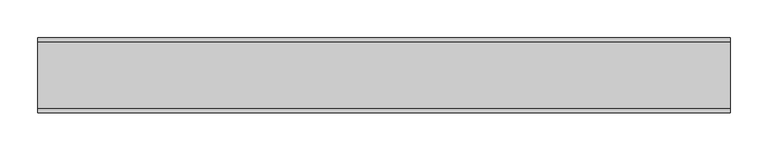
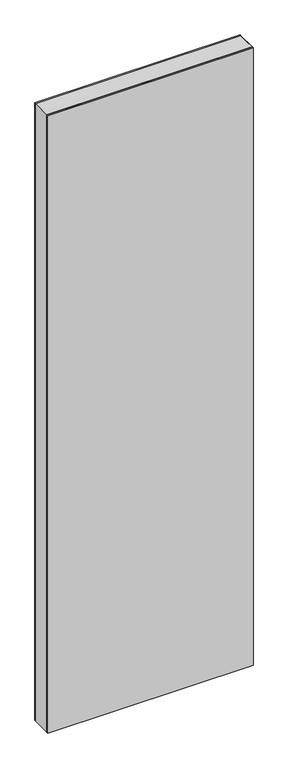
"""IFC4 building model written with IfcOpenShell, lengths in millimetres: plate geometry."""

from ifc_helpers import new_model, si_unit, frame, origin, origin_with_axes, place, context, project, spatial, polyline, outline, extrude, source, transform, mapped, element, save


def plate_4d60606f(model_context):
    return source(origin(), model_context, "Body", "SweptSolid", [
        extrude(outline(polyline([(2931.0, -460.9186914), (0.0, -460.9186914), (0.0, 460.9186914), (2931.0, 460.9186914), (2931.0, -460.9186914)]), holes=[polyline([(2930.0, -459.9186914), (2930.0, 459.9186914), (1.0, 459.9186914), (1.0, -459.9186914), (2930.0, -459.9186914)])]), frame((0.0, -44.0, 0.0), z_axis=(0.0, 1.0, 0.0), x_axis=(0.0, 0.0, 1.0)), (0.0, 0.0, 1.0), 88.0),
        extrude(outline(polyline([(460.9186914, 44.0), (-460.9186914, 44.0), (-460.9186914, 50.0), (460.9186914, 50.0), (460.9186914, 44.0)])), origin_with_axes(), (0.0, 0.0, 1.0), 2931.0),
        extrude(outline(polyline([(-460.9186914, -50.0), (-460.9186914, -44.0), (460.9186914, -44.0), (460.9186914, -50.0), (-460.9186914, -50.0)])), origin_with_axes(), (0.0, 0.0, 1.0), 2931.0),
    ])


if __name__ == "__main__":
    model = new_model("IFC4")
    model_context = context("Model", 3, world=origin())
    ifc_project = project(units=[si_unit("LENGTHUNIT", "METRE", prefix="MILLI")], contexts=[model_context])
    site = spatial("IfcSite", under=ifc_project)
    building = spatial("IfcBuilding", under=site)
    placement = place(None, origin())
    plate_shape = plate_4d60606f(model_context)
    element("IfcPlate", 1, at=placement, inside=building, context=model_context, shape_type="MappedRepresentation", body=[
        mapped(plate_shape, transform((0.0, 0.0, 0.0), x_axis=(1.0, 0.0, 0.0), y_axis=(0.0, 1.0, 0.0), z_axis=(0.0, 0.0, 1.0))),
    ])
    save(model, "model.ifc")
